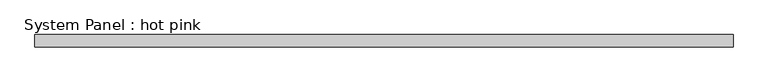
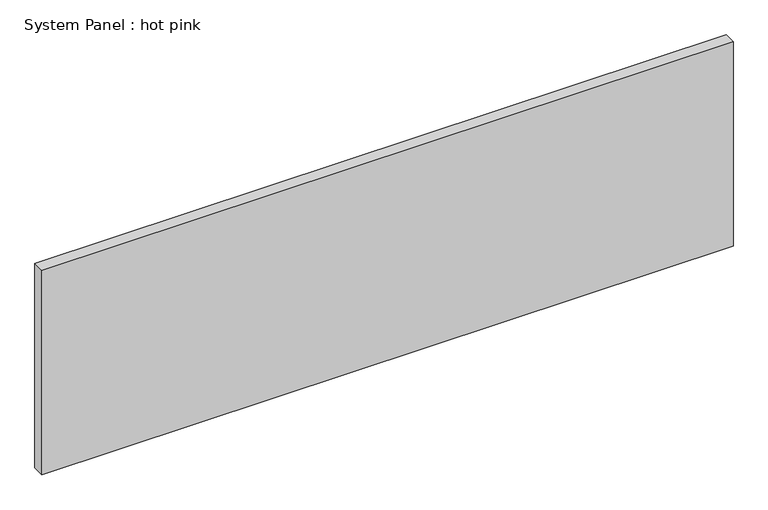
"""IFC4 building model written with IfcOpenShell, lengths in millimetres: plate geometry, System Panel : hot pink."""

from ifc_helpers import new_model, si_unit, origin, origin_with_axes, place, context, project, spatial, polyline, outline, extrude, source, transform, mapped, element, save


def system_panel_hot_pink_6c99c526(model_context):
    return source(origin(), model_context, "Body", "SweptSolid", [
        extrude(outline(polyline([(1797.05, -44.45), (-1797.05, -44.45), (-1797.05, 19.05), (1797.05, 19.05), (1797.05, -44.45)])), origin_with_axes(), (0.0, 0.0, 1.0), 1123.95),
    ])


if __name__ == "__main__":
    model = new_model("IFC4")
    model_context = context("Model", 3, world=origin())
    ifc_project = project(units=[si_unit("LENGTHUNIT", "METRE", prefix="MILLI")], contexts=[model_context])
    site = spatial("IfcSite", under=ifc_project)
    building = spatial("IfcBuilding", under=site)
    placement = place(None, origin())
    system_panel_hot_pink_shape = system_panel_hot_pink_6c99c526(model_context)
    element("IfcPlate", 1, ObjectType="System Panel : hot pink", at=placement, inside=building, context=model_context, shape_type="MappedRepresentation", body=[
        mapped(system_panel_hot_pink_shape, transform((0.0, 0.0, 0.0), x_axis=(1.0, 0.0, 0.0), y_axis=(0.0, 1.0, 0.0), z_axis=(0.0, 0.0, 1.0))),
    ])
    save(model, "model.ifc")
